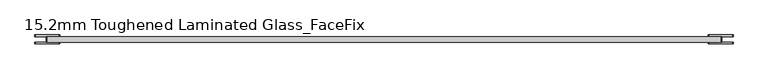
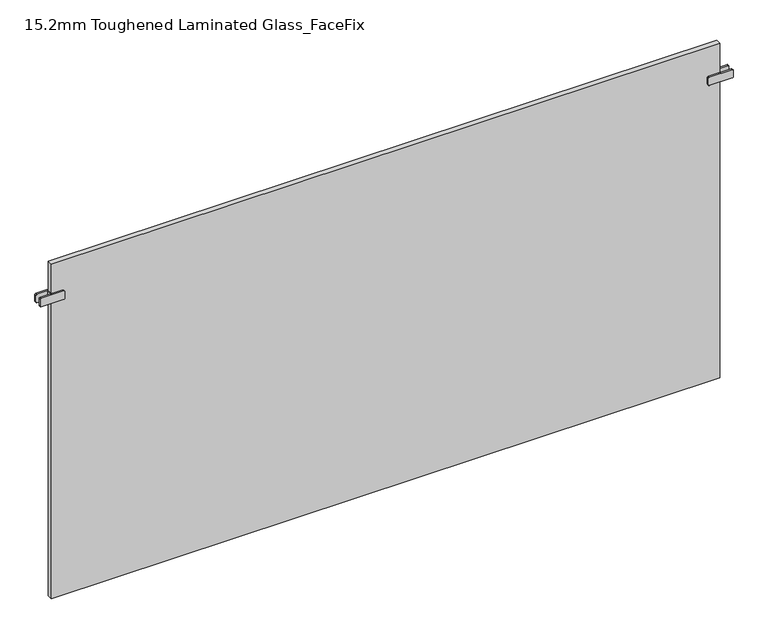
"""IFC4 building model written with IfcOpenShell, lengths in millimetres: plate geometry, 15.2mm Toughened Laminated Glass_FaceFix."""

from ifc_helpers import new_model, si_unit, point, frame, frame_2d, origin, origin_with_axes, place, context, project, spatial, polyline, circle_curve, trimmed, segment, composite_curve, outline, extrude, source, transform, mapped, element, save


def plate_15_2mm_toughened_laminated_glass_facefix_7ae33046(model_context):
    return source(origin(), model_context, "Body", "SweptSolid", [
        extrude(outline(polyline([(-947.5000001, -39.6), (-947.5000001, -24.4), (-942.5000001, -24.4), (-942.5000001, -39.6), (-947.5000001, -39.6)])), frame((0.0, 0.0, 887.5), z_axis=(0.0, 0.0, 1.0), x_axis=(1.0, 0.0, 0.0)), (0.0, 0.0, 1.0), 25.0),
        extrude(outline(composite_curve([segment(trimmed(circle_curve(frame_2d((890.5, -913.0000001)), 3.0), [point((887.5, -913.0000001))], [point((890.5, -910.0000001))], False, "CARTESIAN"), True, "CONTINUOUS"), segment(polyline([(890.5, -910.0000001), (909.5, -910.0000001)]), True, "CONTINUOUS"), segment(trimmed(circle_curve(frame_2d((909.5, -913.0000001)), 3.0), [point((909.5, -910.0000001))], [point((912.5, -913.0000001))], False, "CARTESIAN"), True, "CONTINUOUS"), segment(polyline([(912.5, -913.0000001), (912.5, -977.0000001)]), True, "CONTINUOUS"), segment(trimmed(circle_curve(frame_2d((909.5, -977.0000001)), 3.0), [point((912.5, -977.0000001))], [point((909.5, -980.0000001))], False, "CARTESIAN"), True, "CONTINUOUS"), segment(polyline([(909.5, -980.0000001), (890.5, -980.0000001)]), True, "CONTINUOUS"), segment(trimmed(circle_curve(frame_2d((890.5, -977.0000001)), 3.0), [point((890.5, -980.0000001))], [point((887.5, -977.0000001))], False, "CARTESIAN"), True, "CONTINUOUS"), segment(polyline([(887.5, -977.0000001), (887.5, -913.0000001)]), True, "CONTINUOUS")], self_intersect=False)), frame((0.0, -24.4, 0.0), z_axis=(0.0, 1.0, 0.0), x_axis=(0.0, 0.0, 1.0)), (0.0, 0.0, 1.0), 5.0),
        extrude(outline(composite_curve([segment(trimmed(circle_curve(frame_2d((890.5, -913.0000001)), 3.0), [point((887.5, -913.0000001))], [point((890.5, -910.0000001))], False, "CARTESIAN"), True, "CONTINUOUS"), segment(polyline([(890.5, -910.0000001), (909.5, -910.0000001)]), True, "CONTINUOUS"), segment(trimmed(circle_curve(frame_2d((909.5, -913.0000001)), 3.0), [point((909.5, -910.0000001))], [point((912.5, -913.0000001))], False, "CARTESIAN"), True, "CONTINUOUS"), segment(polyline([(912.5, -913.0000001), (912.5, -977.0000001)]), True, "CONTINUOUS"), segment(trimmed(circle_curve(frame_2d((909.5, -977.0000001)), 3.0), [point((912.5, -977.0000001))], [point((909.5, -980.0000001))], False, "CARTESIAN"), True, "CONTINUOUS"), segment(polyline([(909.5, -980.0000001), (890.5, -980.0000001)]), True, "CONTINUOUS"), segment(trimmed(circle_curve(frame_2d((890.5, -977.0000001)), 3.0), [point((890.5, -980.0000001))], [point((887.5, -977.0000001))], False, "CARTESIAN"), True, "CONTINUOUS"), segment(polyline([(887.5, -977.0000001), (887.5, -913.0000001)]), True, "CONTINUOUS")], self_intersect=False)), frame((0.0, -44.6, 0.0), z_axis=(0.0, 1.0, 0.0), x_axis=(0.0, 0.0, 1.0)), (0.0, 0.0, 1.0), 5.0),
        extrude(outline(polyline([(947.5000001, -39.6), (942.5000001, -39.6), (942.5000001, -24.4), (947.5000001, -24.4), (947.5000001, -39.6)])), frame((0.0, 0.0, 887.5), z_axis=(0.0, 0.0, 1.0), x_axis=(1.0, 0.0, 0.0)), (0.0, 0.0, 1.0), 25.0),
        extrude(outline(composite_curve([segment(polyline([(887.5, 913.0000001), (887.5, 977.0000001)]), True, "CONTINUOUS"), segment(trimmed(circle_curve(frame_2d((890.5, 977.0000001)), 3.0), [point((887.5, 977.0000001))], [point((890.5, 980.0000001))], False, "CARTESIAN"), True, "CONTINUOUS"), segment(polyline([(890.5, 980.0000001), (909.5, 980.0000001)]), True, "CONTINUOUS"), segment(trimmed(circle_curve(frame_2d((909.5, 977.0000001)), 3.0), [point((909.5, 980.0000001))], [point((912.5, 977.0000001))], False, "CARTESIAN"), True, "CONTINUOUS"), segment(polyline([(912.5, 977.0000001), (912.5, 913.0000001)]), True, "CONTINUOUS"), segment(trimmed(circle_curve(frame_2d((909.5, 913.0000001)), 3.0), [point((912.5, 913.0000001))], [point((909.5, 910.0000001))], False, "CARTESIAN"), True, "CONTINUOUS"), segment(polyline([(909.5, 910.0000001), (890.5, 910.0000001)]), True, "CONTINUOUS"), segment(trimmed(circle_curve(frame_2d((890.5, 913.0000001)), 3.0), [point((890.5, 910.0000001))], [point((887.5, 913.0000001))], False, "CARTESIAN"), True, "CONTINUOUS")], self_intersect=False)), frame((0.0, -24.4, 0.0), z_axis=(0.0, 1.0, 0.0), x_axis=(0.0, 0.0, 1.0)), (0.0, 0.0, 1.0), 5.0),
        extrude(outline(composite_curve([segment(polyline([(887.5, 913.0000001), (887.5, 977.0000001)]), True, "CONTINUOUS"), segment(trimmed(circle_curve(frame_2d((890.5, 977.0000001)), 3.0), [point((887.5, 977.0000001))], [point((890.5, 980.0000001))], False, "CARTESIAN"), True, "CONTINUOUS"), segment(polyline([(890.5, 980.0000001), (909.5, 980.0000001)]), True, "CONTINUOUS"), segment(trimmed(circle_curve(frame_2d((909.5, 977.0000001)), 3.0), [point((909.5, 980.0000001))], [point((912.5, 977.0000001))], False, "CARTESIAN"), True, "CONTINUOUS"), segment(polyline([(912.5, 977.0000001), (912.5, 913.0000001)]), True, "CONTINUOUS"), segment(trimmed(circle_curve(frame_2d((909.5, 913.0000001)), 3.0), [point((912.5, 913.0000001))], [point((909.5, 910.0000001))], False, "CARTESIAN"), True, "CONTINUOUS"), segment(polyline([(909.5, 910.0000001), (890.5, 910.0000001)]), True, "CONTINUOUS"), segment(trimmed(circle_curve(frame_2d((890.5, 913.0000001)), 3.0), [point((890.5, 910.0000001))], [point((887.5, 913.0000001))], False, "CARTESIAN"), True, "CONTINUOUS")], self_intersect=False)), frame((0.0, -44.6, 0.0), z_axis=(0.0, 1.0, 0.0), x_axis=(0.0, 0.0, 1.0)), (0.0, 0.0, 1.0), 5.0),
        extrude(outline(polyline([(945.0000001, -24.4), (945.0000001, -39.6), (-945.0000001, -39.6), (-945.0000001, -24.4), (945.0000001, -24.4)])), origin_with_axes(), (0.0, 0.0, 1.0), 1000.0),
    ])


if __name__ == "__main__":
    model = new_model("IFC4")
    model_context = context("Model", 3, world=origin())
    ifc_project = project(units=[si_unit("LENGTHUNIT", "METRE", prefix="MILLI")], contexts=[model_context])
    site = spatial("IfcSite", under=ifc_project)
    building = spatial("IfcBuilding", under=site)
    placement = place(None, origin())
    plate_15_2mm_toughened_laminated_glass_facefix_shape = plate_15_2mm_toughened_laminated_glass_facefix_7ae33046(model_context)
    element("IfcPlate", 1, ObjectType="15.2mm Toughened Laminated Glass_FaceFix", at=placement, inside=building, context=model_context, shape_type="MappedRepresentation", body=[
        mapped(plate_15_2mm_toughened_laminated_glass_facefix_shape, transform((0.0, 0.0, 0.0), x_axis=(1.0, 0.0, 0.0), y_axis=(0.0, 1.0, 0.0), z_axis=(0.0, 0.0, 1.0))),
    ])
    save(model, "model.ifc")
